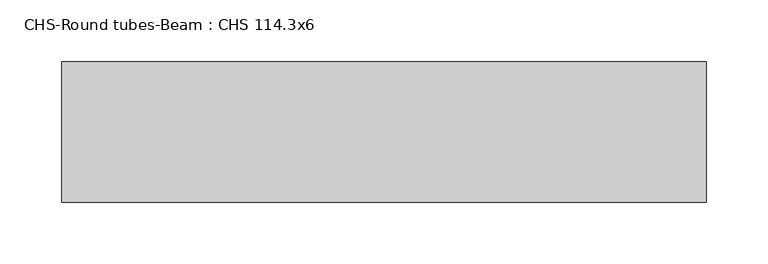
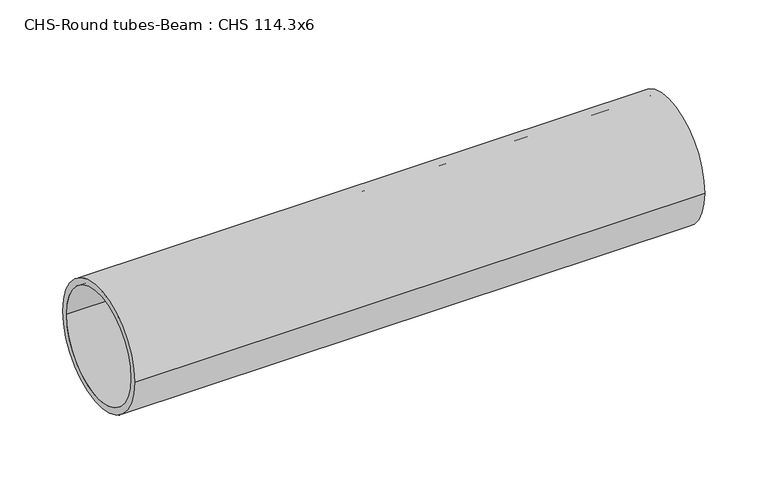
"""IFC4 building model written with IfcOpenShell, lengths in millimetres: beam geometry, CHS-Round tubes-Beam : CHS 114.3x6."""

from ifc_helpers import new_model, si_unit, point, frame, origin, origin_2d, place, context, project, spatial, circle_curve, trimmed, segment, composite_curve, outline, extrude, source, transform, mapped, element, save


def chs_round_tubes_beam_chs_114_3x6_a3f37c3a(model_context):
    return source(origin(), model_context, "Body", "SweptSolid", [
        extrude(outline(composite_curve([segment(trimmed(circle_curve(origin_2d(), 57.15), [point((57.15, 0.0))], [point((-57.15, 0.0))], False, "CARTESIAN"), True, "CONTINUOUS"), segment(trimmed(circle_curve(origin_2d(), 57.15), [point((-57.15, 0.0))], [point((57.15, 0.0))], False, "CARTESIAN"), True, "CONTINUOUS")], self_intersect=False), holes=[composite_curve([segment(trimmed(circle_curve(origin_2d(), 51.15), [point((51.15, 0.0))], [point((-51.15, 0.0))], True, "CARTESIAN"), True, "CONTINUOUS"), segment(trimmed(circle_curve(origin_2d(), 51.15), [point((-51.15, 0.0))], [point((51.15, 0.0))], True, "CARTESIAN"), True, "CONTINUOUS")], self_intersect=False)]), frame((-230.0077844, 0.0, 0.0), z_axis=(1.0, 0.0, 0.0), x_axis=(0.0, 1.0, 0.0)), (0.0, 0.0, 1.0), 523.6172359),
    ])


if __name__ == "__main__":
    model = new_model("IFC4")
    model_context = context("Model", 3, world=origin())
    ifc_project = project(units=[si_unit("LENGTHUNIT", "METRE", prefix="MILLI")], contexts=[model_context])
    site = spatial("IfcSite", under=ifc_project)
    building = spatial("IfcBuilding", under=site)
    placement = place(None, origin())
    chs_round_tubes_beam_chs_114_3x6_shape = chs_round_tubes_beam_chs_114_3x6_a3f37c3a(model_context)
    element("IfcBeam", 1, ObjectType="CHS-Round tubes-Beam : CHS 114.3x6", at=placement, inside=building, context=model_context, shape_type="MappedRepresentation", body=[
        mapped(chs_round_tubes_beam_chs_114_3x6_shape, transform((0.0, 0.0, 0.0), x_axis=(1.0, 0.0, 0.0), y_axis=(0.0, 1.0, 0.0), z_axis=(0.0, 0.0, 1.0))),
    ])
    save(model, "model.ifc")
